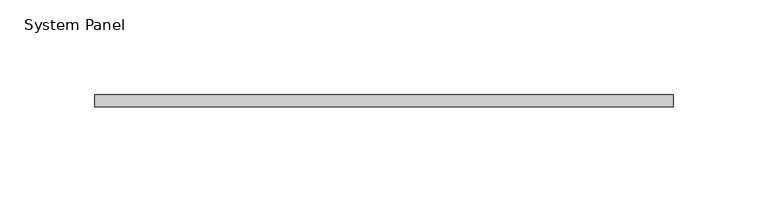
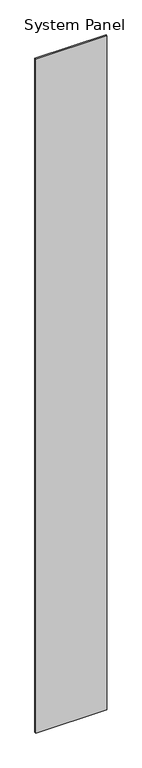
"""IFC4 building model written with IfcOpenShell, lengths in millimetres: plate geometry, System Panel."""

from ifc_helpers import new_model, si_unit, origin, origin_with_axes, place, context, project, spatial, polyline, outline, extrude, source, transform, mapped, element, save


def system_panel_c940bc23(model_context):
    return source(origin(), model_context, "Body", "SweptSolid", [
        extrude(outline(polyline([(152.3998701, 0.0), (-152.3998701, 0.0), (-152.3998701, 6.35), (152.3998701, 6.35), (152.3998701, 0.0)])), origin_with_axes(), (0.0, 0.0, 1.0), 3048.0),
    ])


if __name__ == "__main__":
    model = new_model("IFC4")
    model_context = context("Model", 3, world=origin())
    ifc_project = project(units=[si_unit("LENGTHUNIT", "METRE", prefix="MILLI")], contexts=[model_context])
    site = spatial("IfcSite", under=ifc_project)
    building = spatial("IfcBuilding", under=site)
    placement = place(None, origin())
    system_panel_shape = system_panel_c940bc23(model_context)
    element("IfcPlate", 1, ObjectType="System Panel", at=placement, inside=building, context=model_context, shape_type="MappedRepresentation", body=[
        mapped(system_panel_shape, transform((0.0, 0.0, 0.0), x_axis=(1.0, 0.0, 0.0), y_axis=(0.0, 1.0, 0.0), z_axis=(0.0, 0.0, 1.0))),
    ])
    save(model, "model.ifc")
